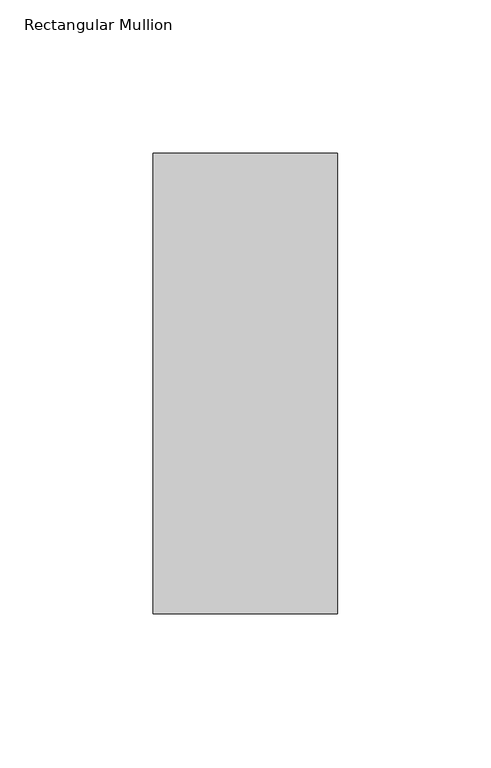
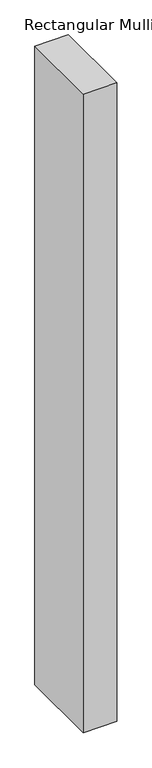
"""IFC4 building model written with IfcOpenShell, lengths in millimetres: member geometry, Rectangular Mullion."""

from ifc_helpers import new_model, si_unit, frame, origin, place, context, project, spatial, polyline, outline, extrude, source, transform, mapped, element, save


def rectangular_mullion_d6944980(model_context):
    return source(origin(), model_context, "Body", "SweptSolid", [
        extrude(outline(polyline([(30.0, 75.0), (30.0, -75.0), (-30.0, -75.0), (-30.0, 75.0), (30.0, 75.0)])), frame((0.0, 0.0, -1210.0), z_axis=(0.0, 0.0, 1.0), x_axis=(1.0, 0.0, 0.0)), (0.0, 0.0, 1.0), 1210.0),
    ])


if __name__ == "__main__":
    model = new_model("IFC4")
    model_context = context("Model", 3, world=origin())
    ifc_project = project(units=[si_unit("LENGTHUNIT", "METRE", prefix="MILLI")], contexts=[model_context])
    site = spatial("IfcSite", under=ifc_project)
    building = spatial("IfcBuilding", under=site)
    placement = place(None, origin())
    rectangular_mullion_shape = rectangular_mullion_d6944980(model_context)
    element("IfcMember", 1, ObjectType="Rectangular Mullion", at=placement, inside=building, context=model_context, shape_type="MappedRepresentation", body=[
        mapped(rectangular_mullion_shape, transform((0.0, 0.0, 0.0), x_axis=(1.0, 0.0, 0.0), y_axis=(0.0, 1.0, 0.0), z_axis=(0.0, 0.0, 1.0))),
    ])
    save(model, "model.ifc")
